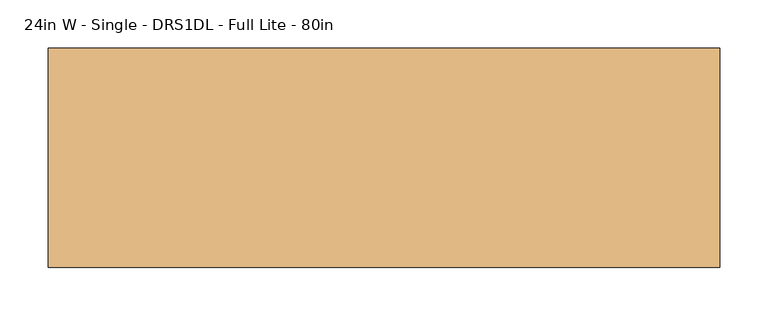
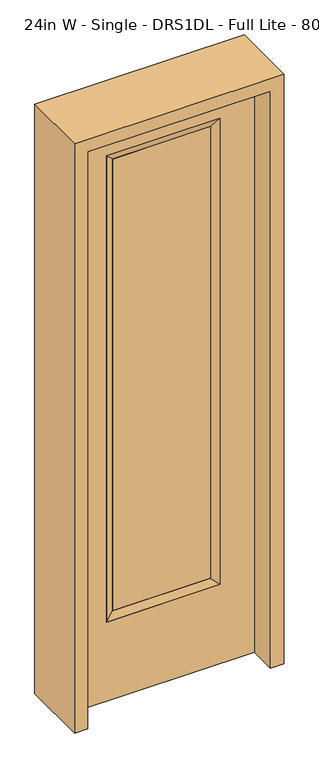
"""IFC4 building model written with IfcOpenShell, lengths in millimetres: door geometry, 24in W - Single - DRS1DL - Full Lite - 80in."""

import ifcopenshell
import ifcopenshell.guid

model = None  # the IFC model being written
_history = None  # IfcOwnerHistory: only IFC2X3 demands one
_inside = {}  # id of a spatial element -> (the spatial element, [elements in it])
_under = {}  # id of a project, library or spatial element -> (it, [spatial elements below it])
_declared = {}  # id of a project -> (the project, [libraries it declares])
_typed = {}  # id of a type object -> (the type object, [elements of that type])
_made_of = {}  # id of a material, layer set ... -> (it, [elements and type objects made of it])


def new_model(schema):
    """Start an empty IFC model of exactly this schema.

    Asked for "IFC4X3", IfcOpenShell would pick the latest addendum, in which some entities
    have other attributes; the version numbers below select the first issue.
    IFC2X3 requires an IfcOwnerHistory on every rooted entity: one is made here for all.
    """
    global model, _history
    if schema == "IFC4X3":
        model = ifcopenshell.file(schema_version=(4, 3, 0, 0))
    else:
        model = ifcopenshell.file(schema=schema)
    _inside.clear()
    _under.clear()
    _declared.clear()
    _typed.clear()
    _made_of.clear()
    _history = None
    if model.schema == "IFC2X3":
        org = make("IfcOrganization", Name="unknown")
        user = make(
            "IfcPersonAndOrganization",
            ThePerson=make("IfcPerson", FamilyName="unknown"),
            TheOrganization=org,
        )
        app = make(
            "IfcApplication",
            ApplicationDeveloper=org,
            Version="unknown",
            ApplicationFullName="unknown",
            ApplicationIdentifier="unknown",
        )
        _history = make(
            "IfcOwnerHistory",
            OwningUser=user,
            OwningApplication=app,
            ChangeAction="ADDED",
            CreationDate=0,
        )
    return model


def make(cls, **values):
    """One entity of the class cls with the attributes given. An attribute that is None is left unset."""
    return model.create_entity(
        cls, **{name: value for name, value in values.items() if value is not None}
    )


def rooted(cls, **values):
    """An entity with a GlobalId (a new one), such as an element, a storey or a relation."""
    return make(cls, GlobalId=ifcopenshell.guid.new(), OwnerHistory=_history, **values)


def si_unit(unit_type, name, prefix=None):
    """IfcSIUnit, for example si_unit("LENGTHUNIT", "METRE", prefix="MILLI")."""
    return make("IfcSIUnit", UnitType=unit_type, Prefix=prefix, Name=name)


def assignment(units):
    """IfcUnitAssignment: the units of a project."""
    return None if units is None else make("IfcUnitAssignment", Units=units)


def point(xyz):
    """IfcCartesianPoint."""
    return None if xyz is None else make("IfcCartesianPoint", Coordinates=xyz)


def direction(xyz):
    """IfcDirection."""
    return None if xyz is None else make("IfcDirection", DirectionRatios=xyz)


def frame(location, z_axis=None, x_axis=None):
    """IfcAxis2Placement3D, a coordinate frame: its origin and axes. An axis left out is left unset."""
    return make(
        "IfcAxis2Placement3D",
        Location=point(location),
        Axis=direction(z_axis),
        RefDirection=direction(x_axis),
    )


def origin():
    """The frame at (0, 0, 0) with its axes left unset."""
    return frame((0.0, 0.0, 0.0))


def place(relative_to, where):
    """IfcLocalPlacement: puts the frame where relative to a parent placement (None: the world)."""
    return make(
        "IfcLocalPlacement", PlacementRelTo=relative_to, RelativePlacement=where
    )


def context(
    kind, dimensions, precision=None, world=None, true_north=None, identifier=None
):
    """IfcGeometricRepresentationContext, for example the 3D "Model" context."""
    return make(
        "IfcGeometricRepresentationContext",
        ContextIdentifier=identifier,
        ContextType=kind,
        CoordinateSpaceDimension=dimensions,
        Precision=precision,
        WorldCoordinateSystem=world,
        TrueNorth=true_north,
    )


def project(units=None, contexts=None):
    """IfcProject with its units and contexts."""
    return rooted(
        "IfcProject",
        Name="project",
        RepresentationContexts=contexts,
        UnitsInContext=assignment(units),
    )


def spatial(cls, under=None, at=None, **own):
    """A site, building, storey or space (cls), placed at a placement, below another one or the project."""
    s = rooted(cls, ObjectPlacement=at, **own)
    if under is not None:
        _under.setdefault(under.id(), (under, []))[1].append(s)
    return s


def polyline(points):
    """IfcPolyline through the points."""
    return make("IfcPolyline", Points=[point(p) for p in points])


def outline(outer, holes=None, kind="AREA"):
    """IfcArbitraryClosedProfileDef: a profile drawn as a closed curve; with holes, ...WithVoids."""
    if holes is None:
        return make("IfcArbitraryClosedProfileDef", ProfileType=kind, OuterCurve=outer)
    return make(
        "IfcArbitraryProfileDefWithVoids",
        ProfileType=kind,
        OuterCurve=outer,
        InnerCurves=holes,
    )


def extrude(swept, where, along, depth):
    """IfcExtrudedAreaSolid: the profile swept, set in the frame where, extruded along a direction by depth."""
    return make(
        "IfcExtrudedAreaSolid",
        SweptArea=swept,
        Position=where,
        ExtrudedDirection=direction(along),
        Depth=depth,
    )


def faces_of(points, faces, orient=None, outer=None):
    """IfcFace entities. A face is a list of loops; a loop is a list of indices into points, from 0.

    orient and outer hold one flag for each loop. By default every Orientation is true, the
    first loop of a face is its IfcFaceOuterBound and the others are IfcFaceBound.
    """
    made = []
    for i, loops in enumerate(faces):
        bounds = []
        for j, loop in enumerate(loops):
            is_outer = j == 0 if outer is None else outer[i][j]
            bounds.append(
                make(
                    "IfcFaceOuterBound" if is_outer else "IfcFaceBound",
                    Bound=make("IfcPolyLoop", Polygon=[points[k] for k in loop]),
                    Orientation=True if orient is None else orient[i][j],
                )
            )
        made.append(make("IfcFace", Bounds=bounds))
    return made


def faceted_brep(points, faces, orient=None, outer=None, voids=None):
    """IfcFacetedBrep: a solid bounded by flat faces; with voids (closed shells), ...WithVoids."""
    shared = [point(p) for p in points]
    hull = make("IfcClosedShell", CfsFaces=faces_of(shared, faces, orient, outer))
    if voids is None:
        return make("IfcFacetedBrep", Outer=hull)
    return make(
        "IfcFacetedBrepWithVoids",
        Outer=hull,
        Voids=[
            make(cls, CfsFaces=faces_of(shared, fs, o, b)) for cls, fs, o, b in voids
        ],
    )


def shape(context_of_items, identifier, shape_type, items):
    """IfcShapeRepresentation: the items that make up one representation, for example the "Body"."""
    return make(
        "IfcShapeRepresentation",
        ContextOfItems=context_of_items,
        RepresentationIdentifier=identifier,
        RepresentationType=shape_type,
        Items=items,
    )


def source(mapping_origin, context_of_items, identifier, shape_type, items):
    """IfcRepresentationMap: a shape defined once, which mapped items show again and again."""
    return make(
        "IfcRepresentationMap",
        MappingOrigin=mapping_origin,
        MappedRepresentation=shape(context_of_items, identifier, shape_type, items),
    )


def transform(
    local_origin,
    x_axis=None,
    y_axis=None,
    z_axis=None,
    scale=None,
    scale2=None,
    scale3=None,
    uniform=True,
):
    """IfcCartesianTransformationOperator3D, or its non-uniform kind. x_axis, y_axis, z_axis: its Axis1, 2, 3."""
    if uniform:
        return make(
            "IfcCartesianTransformationOperator3D",
            Axis1=direction(x_axis),
            Axis2=direction(y_axis),
            LocalOrigin=point(local_origin),
            Scale=scale,
            Axis3=direction(z_axis),
        )
    return make(
        "IfcCartesianTransformationOperator3DnonUniform",
        Axis1=direction(x_axis),
        Axis2=direction(y_axis),
        LocalOrigin=point(local_origin),
        Scale=scale,
        Axis3=direction(z_axis),
        Scale2=scale2,
        Scale3=scale3,
    )


def mapped(mapping_source, mapping_target):
    """IfcMappedItem: shows the shape of a source again, moved by a transform."""
    return make(
        "IfcMappedItem", MappingSource=mapping_source, MappingTarget=mapping_target
    )


def made_of(thing, what):
    """Note that an element or type object is made of a material, layer set ...; save() writes the relation."""
    if what is not None:
        _made_of.setdefault(what.id(), (what, []))[1].append(thing)
    return thing


def element(
    cls,
    number,
    at=None,
    inside=None,
    cuts=None,
    type_object=None,
    material=None,
    context=None,
    identifier="Body",
    shape_type=None,
    held_by="IfcProductDefinitionShape",
    body=None,
    shapes=None,
    **own,
):
    """One element of the class cls, such as IfcWall. Its Tag is "e" and its number.

    at: its placement. inside: the storey or other place that contains it. cuts: it is an
    opening in that element (IfcRelVoidsElement). A single representation is given by context,
    identifier, shape_type and body (its items); several are given by shapes. held_by: the class
    of the entity that holds the representations. save() writes the other relations.
    """
    e = rooted(cls, Tag="e%d" % number, ObjectPlacement=at, **own)
    if body is not None:
        shapes = [shape(context, identifier, shape_type, body)]
    if shapes is not None:
        e.Representation = make(held_by, Representations=shapes)
    if inside is not None:
        _inside.setdefault(inside.id(), (inside, []))[1].append(e)
    if cuts is not None:
        rooted(
            "IfcRelVoidsElement", RelatingBuildingElement=cuts, RelatedOpeningElement=e
        )
    if type_object is not None:
        _typed.setdefault(type_object.id(), (type_object, []))[1].append(e)
    return made_of(e, material)


def aggregate(whole, parts):
    """IfcRelAggregates: a whole, such as a stair, and the parts it consists of."""
    return rooted("IfcRelAggregates", RelatingObject=whole, RelatedObjects=parts)


def save(model, path):
    """Write the relations noted so far, then the file.

    IfcRelAggregates (storeys below a building ...), IfcRelContainedInSpatialStructure (elements
    in a storey), IfcRelDefinesByType, IfcRelAssociatesMaterial and IfcRelDeclares: one each for
    every whole, place, type object, material and project.
    """
    for whole, parts in _under.values():
        aggregate(whole, parts)
    for where, things in _inside.values():
        rooted(
            "IfcRelContainedInSpatialStructure",
            RelatedElements=things,
            RelatingStructure=where,
        )
    for kind, things in _typed.values():
        rooted("IfcRelDefinesByType", RelatedObjects=things, RelatingType=kind)
    for what, things in _made_of.values():
        rooted("IfcRelAssociatesMaterial", RelatedObjects=things, RelatingMaterial=what)
    for by, libraries in _declared.values():
        rooted("IfcRelDeclares", RelatingContext=by, RelatedDefinitions=libraries)
    model.write(path)


def door_24in_w_single_drs1dl_full_lite_80in_ac92e405(model_context):
    return source(origin(), model_context, "Body", "SolidModel", [
        extrude(outline(polyline([(163.9824, -12.7039749), (-163.9824, -12.7039749), (-163.9824, 14.2875), (163.9824, 14.2875), (163.9824, -12.7039749)])), frame((0.0, 0.0, 304.8), z_axis=(0.0, 0.0, 1.0), x_axis=(1.0, 0.0, 0.0)), (0.0, 0.0, 1.0), 1591.1576),
        faceted_brep([(163.9824, 14.2875, 1895.9576), (189.3824, 22.225, 1921.3576), (189.3824, 22.225, 279.4), (163.9824, 14.2875, 304.8), (189.3824, -22.225, 1921.3576), (189.3824, -22.225, 279.4), (-189.3824, 22.225, 279.4), (-163.9824, 14.2875, 304.8), (163.9824, -12.7039749, 1895.9576), (163.9824, -12.7039749, 304.8), (-163.9824, -12.7039749, 304.8), (-189.3824, -22.225, 279.4), (-189.3824, 22.225, 1921.3576), (-163.9824, 14.2875, 1895.9576), (-163.9824, -12.7039749, 1895.9576), (-189.3824, -22.225, 1921.3576)], [[[0, 1, 2, 3]], [[1, 4, 5, 2]], [[3, 2, 6, 7]], [[8, 0, 3, 9]], [[9, 3, 7, 10]], [[4, 8, 9, 5]], [[5, 9, 10, 11]], [[2, 5, 11, 6]], [[7, 6, 12, 13]], [[10, 7, 13, 14]], [[11, 10, 14, 15]], [[6, 11, 15, 12]], [[13, 12, 1, 0]], [[14, 13, 0, 8]], [[15, 14, 8, 4]], [[12, 15, 4, 1]]]),
        extrude(outline(polyline([(0.0, -304.8), (0.0, 304.8), (2032.0, 304.8), (2032.0, -304.8), (0.0, -304.8)]), holes=[polyline([(279.4, -189.3824), (1921.3576, -189.3824), (1921.3576, 189.3824), (279.4, 189.3824), (279.4, -189.3824)])]), frame((0.0, -22.225, 0.0), z_axis=(0.0, 1.0, 0.0), x_axis=(0.0, 0.0, 1.0)), (0.0, 0.0, 1.0), 44.45),
        extrude(outline(polyline([(0.0, -349.25), (0.0, -304.8), (2032.0, -304.8), (2032.0, 304.8), (0.0, 304.8), (0.0, 349.25), (2076.45, 349.25), (2076.45, -349.25), (0.0, -349.25)])), frame((0.0, -114.3, 0.0), z_axis=(0.0, 1.0, 0.0), x_axis=(0.0, 0.0, 1.0)), (0.0, 0.0, 1.0), 228.6),
    ])


if __name__ == "__main__":
    model = new_model("IFC4")
    model_context = context("Model", 3, world=origin())
    ifc_project = project(units=[si_unit("LENGTHUNIT", "METRE", prefix="MILLI")], contexts=[model_context])
    site = spatial("IfcSite", under=ifc_project)
    building = spatial("IfcBuilding", under=site)
    placement = place(None, origin())
    door_24in_w_single_drs1dl_full_lite_80in_shape = door_24in_w_single_drs1dl_full_lite_80in_ac92e405(model_context)
    element("IfcDoor", 1, ObjectType="24in W - Single - DRS1DL - Full Lite - 80in", at=placement, inside=building, context=model_context, shape_type="MappedRepresentation", body=[
        mapped(door_24in_w_single_drs1dl_full_lite_80in_shape, transform((0.0, 0.0, 0.0), x_axis=(1.0, 0.0, 0.0), y_axis=(0.0, 1.0, 0.0), z_axis=(0.0, 0.0, 1.0))),
    ])
    save(model, "model.ifc")
